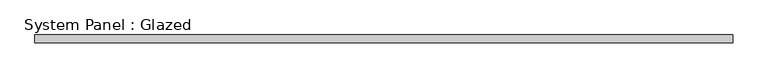
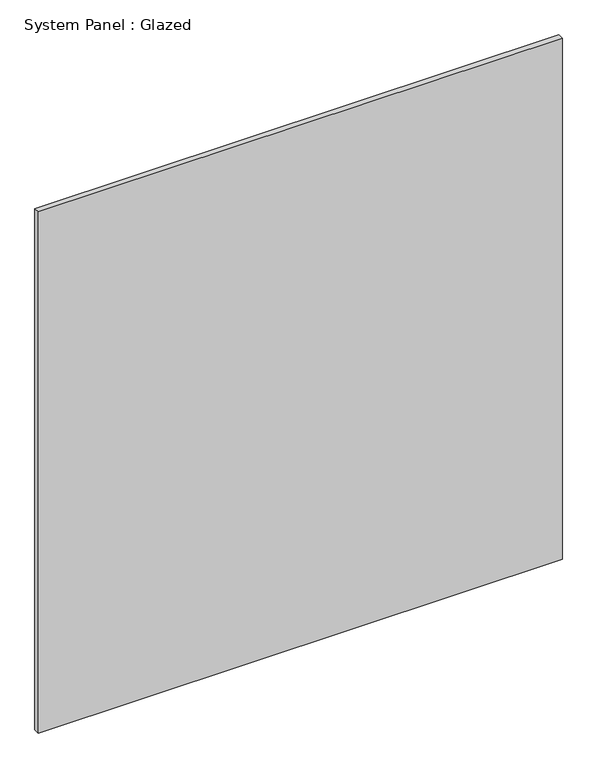
"""IFC4 building model written with IfcOpenShell, lengths in millimetres: plate geometry, System Panel : Glazed."""

import ifcopenshell
import ifcopenshell.guid

model = None  # the IFC model being written
_history = None  # IfcOwnerHistory: only IFC2X3 demands one
_inside = {}  # id of a spatial element -> (the spatial element, [elements in it])
_under = {}  # id of a project, library or spatial element -> (it, [spatial elements below it])
_declared = {}  # id of a project -> (the project, [libraries it declares])
_typed = {}  # id of a type object -> (the type object, [elements of that type])
_made_of = {}  # id of a material, layer set ... -> (it, [elements and type objects made of it])


def new_model(schema):
    """Start an empty IFC model of exactly this schema.

    Asked for "IFC4X3", IfcOpenShell would pick the latest addendum, in which some entities
    have other attributes; the version numbers below select the first issue.
    IFC2X3 requires an IfcOwnerHistory on every rooted entity: one is made here for all.
    """
    global model, _history
    if schema == "IFC4X3":
        model = ifcopenshell.file(schema_version=(4, 3, 0, 0))
    else:
        model = ifcopenshell.file(schema=schema)
    _inside.clear()
    _under.clear()
    _declared.clear()
    _typed.clear()
    _made_of.clear()
    _history = None
    if model.schema == "IFC2X3":
        org = make("IfcOrganization", Name="unknown")
        user = make(
            "IfcPersonAndOrganization",
            ThePerson=make("IfcPerson", FamilyName="unknown"),
            TheOrganization=org,
        )
        app = make(
            "IfcApplication",
            ApplicationDeveloper=org,
            Version="unknown",
            ApplicationFullName="unknown",
            ApplicationIdentifier="unknown",
        )
        _history = make(
            "IfcOwnerHistory",
            OwningUser=user,
            OwningApplication=app,
            ChangeAction="ADDED",
            CreationDate=0,
        )
    return model


def make(cls, **values):
    """One entity of the class cls with the attributes given. An attribute that is None is left unset."""
    return model.create_entity(
        cls, **{name: value for name, value in values.items() if value is not None}
    )


def rooted(cls, **values):
    """An entity with a GlobalId (a new one), such as an element, a storey or a relation."""
    return make(cls, GlobalId=ifcopenshell.guid.new(), OwnerHistory=_history, **values)


def si_unit(unit_type, name, prefix=None):
    """IfcSIUnit, for example si_unit("LENGTHUNIT", "METRE", prefix="MILLI")."""
    return make("IfcSIUnit", UnitType=unit_type, Prefix=prefix, Name=name)


def assignment(units):
    """IfcUnitAssignment: the units of a project."""
    return None if units is None else make("IfcUnitAssignment", Units=units)


def point(xyz):
    """IfcCartesianPoint."""
    return None if xyz is None else make("IfcCartesianPoint", Coordinates=xyz)


def direction(xyz):
    """IfcDirection."""
    return None if xyz is None else make("IfcDirection", DirectionRatios=xyz)


def frame(location, z_axis=None, x_axis=None):
    """IfcAxis2Placement3D, a coordinate frame: its origin and axes. An axis left out is left unset."""
    return make(
        "IfcAxis2Placement3D",
        Location=point(location),
        Axis=direction(z_axis),
        RefDirection=direction(x_axis),
    )


def origin():
    """The frame at (0, 0, 0) with its axes left unset."""
    return frame((0.0, 0.0, 0.0))


def origin_with_axes():
    """The frame at (0, 0, 0) with the z axis (0, 0, 1) and the x axis (1, 0, 0) written out."""
    return frame((0.0, 0.0, 0.0), z_axis=(0.0, 0.0, 1.0), x_axis=(1.0, 0.0, 0.0))


def place(relative_to, where):
    """IfcLocalPlacement: puts the frame where relative to a parent placement (None: the world)."""
    return make(
        "IfcLocalPlacement", PlacementRelTo=relative_to, RelativePlacement=where
    )


def context(
    kind, dimensions, precision=None, world=None, true_north=None, identifier=None
):
    """IfcGeometricRepresentationContext, for example the 3D "Model" context."""
    return make(
        "IfcGeometricRepresentationContext",
        ContextIdentifier=identifier,
        ContextType=kind,
        CoordinateSpaceDimension=dimensions,
        Precision=precision,
        WorldCoordinateSystem=world,
        TrueNorth=true_north,
    )


def project(units=None, contexts=None):
    """IfcProject with its units and contexts."""
    return rooted(
        "IfcProject",
        Name="project",
        RepresentationContexts=contexts,
        UnitsInContext=assignment(units),
    )


def spatial(cls, under=None, at=None, **own):
    """A site, building, storey or space (cls), placed at a placement, below another one or the project."""
    s = rooted(cls, ObjectPlacement=at, **own)
    if under is not None:
        _under.setdefault(under.id(), (under, []))[1].append(s)
    return s


def polyline(points):
    """IfcPolyline through the points."""
    return make("IfcPolyline", Points=[point(p) for p in points])


def outline(outer, holes=None, kind="AREA"):
    """IfcArbitraryClosedProfileDef: a profile drawn as a closed curve; with holes, ...WithVoids."""
    if holes is None:
        return make("IfcArbitraryClosedProfileDef", ProfileType=kind, OuterCurve=outer)
    return make(
        "IfcArbitraryProfileDefWithVoids",
        ProfileType=kind,
        OuterCurve=outer,
        InnerCurves=holes,
    )


def extrude(swept, where, along, depth):
    """IfcExtrudedAreaSolid: the profile swept, set in the frame where, extruded along a direction by depth."""
    return make(
        "IfcExtrudedAreaSolid",
        SweptArea=swept,
        Position=where,
        ExtrudedDirection=direction(along),
        Depth=depth,
    )


def shape(context_of_items, identifier, shape_type, items):
    """IfcShapeRepresentation: the items that make up one representation, for example the "Body"."""
    return make(
        "IfcShapeRepresentation",
        ContextOfItems=context_of_items,
        RepresentationIdentifier=identifier,
        RepresentationType=shape_type,
        Items=items,
    )


def source(mapping_origin, context_of_items, identifier, shape_type, items):
    """IfcRepresentationMap: a shape defined once, which mapped items show again and again."""
    return make(
        "IfcRepresentationMap",
        MappingOrigin=mapping_origin,
        MappedRepresentation=shape(context_of_items, identifier, shape_type, items),
    )


def transform(
    local_origin,
    x_axis=None,
    y_axis=None,
    z_axis=None,
    scale=None,
    scale2=None,
    scale3=None,
    uniform=True,
):
    """IfcCartesianTransformationOperator3D, or its non-uniform kind. x_axis, y_axis, z_axis: its Axis1, 2, 3."""
    if uniform:
        return make(
            "IfcCartesianTransformationOperator3D",
            Axis1=direction(x_axis),
            Axis2=direction(y_axis),
            LocalOrigin=point(local_origin),
            Scale=scale,
            Axis3=direction(z_axis),
        )
    return make(
        "IfcCartesianTransformationOperator3DnonUniform",
        Axis1=direction(x_axis),
        Axis2=direction(y_axis),
        LocalOrigin=point(local_origin),
        Scale=scale,
        Axis3=direction(z_axis),
        Scale2=scale2,
        Scale3=scale3,
    )


def mapped(mapping_source, mapping_target):
    """IfcMappedItem: shows the shape of a source again, moved by a transform."""
    return make(
        "IfcMappedItem", MappingSource=mapping_source, MappingTarget=mapping_target
    )


def made_of(thing, what):
    """Note that an element or type object is made of a material, layer set ...; save() writes the relation."""
    if what is not None:
        _made_of.setdefault(what.id(), (what, []))[1].append(thing)
    return thing


def element(
    cls,
    number,
    at=None,
    inside=None,
    cuts=None,
    type_object=None,
    material=None,
    context=None,
    identifier="Body",
    shape_type=None,
    held_by="IfcProductDefinitionShape",
    body=None,
    shapes=None,
    **own,
):
    """One element of the class cls, such as IfcWall. Its Tag is "e" and its number.

    at: its placement. inside: the storey or other place that contains it. cuts: it is an
    opening in that element (IfcRelVoidsElement). A single representation is given by context,
    identifier, shape_type and body (its items); several are given by shapes. held_by: the class
    of the entity that holds the representations. save() writes the other relations.
    """
    e = rooted(cls, Tag="e%d" % number, ObjectPlacement=at, **own)
    if body is not None:
        shapes = [shape(context, identifier, shape_type, body)]
    if shapes is not None:
        e.Representation = make(held_by, Representations=shapes)
    if inside is not None:
        _inside.setdefault(inside.id(), (inside, []))[1].append(e)
    if cuts is not None:
        rooted(
            "IfcRelVoidsElement", RelatingBuildingElement=cuts, RelatedOpeningElement=e
        )
    if type_object is not None:
        _typed.setdefault(type_object.id(), (type_object, []))[1].append(e)
    return made_of(e, material)


def aggregate(whole, parts):
    """IfcRelAggregates: a whole, such as a stair, and the parts it consists of."""
    return rooted("IfcRelAggregates", RelatingObject=whole, RelatedObjects=parts)


def save(model, path):
    """Write the relations noted so far, then the file.

    IfcRelAggregates (storeys below a building ...), IfcRelContainedInSpatialStructure (elements
    in a storey), IfcRelDefinesByType, IfcRelAssociatesMaterial and IfcRelDeclares: one each for
    every whole, place, type object, material and project.
    """
    for whole, parts in _under.values():
        aggregate(whole, parts)
    for where, things in _inside.values():
        rooted(
            "IfcRelContainedInSpatialStructure",
            RelatedElements=things,
            RelatingStructure=where,
        )
    for kind, things in _typed.values():
        rooted("IfcRelDefinesByType", RelatedObjects=things, RelatingType=kind)
    for what, things in _made_of.values():
        rooted("IfcRelAssociatesMaterial", RelatedObjects=things, RelatingMaterial=what)
    for by, libraries in _declared.values():
        rooted("IfcRelDeclares", RelatingContext=by, RelatedDefinitions=libraries)
    model.write(path)


def system_panel_glazed_48aff072(model_context):
    return source(origin(), model_context, "Body", "SweptSolid", [
        extrude(outline(polyline([(1141.6340625, 24.5), (-1141.6340625, 24.5), (-1141.6340625, 49.5), (1141.6340625, 49.5), (1141.6340625, 24.5)])), origin_with_axes(), (0.0, 0.0, 1.0), 2400.0),
    ])


if __name__ == "__main__":
    model = new_model("IFC4")
    model_context = context("Model", 3, world=origin())
    ifc_project = project(units=[si_unit("LENGTHUNIT", "METRE", prefix="MILLI")], contexts=[model_context])
    site = spatial("IfcSite", under=ifc_project)
    building = spatial("IfcBuilding", under=site)
    placement = place(None, origin())
    system_panel_glazed_shape = system_panel_glazed_48aff072(model_context)
    element("IfcPlate", 1, ObjectType="System Panel : Glazed", at=placement, inside=building, context=model_context, shape_type="MappedRepresentation", body=[
        mapped(system_panel_glazed_shape, transform((0.0, 0.0, 0.0), x_axis=(1.0, 0.0, 0.0), y_axis=(0.0, 1.0, 0.0), z_axis=(0.0, 0.0, 1.0))),
    ])
    save(model, "model.ifc")
